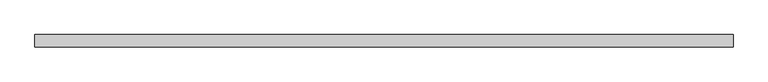
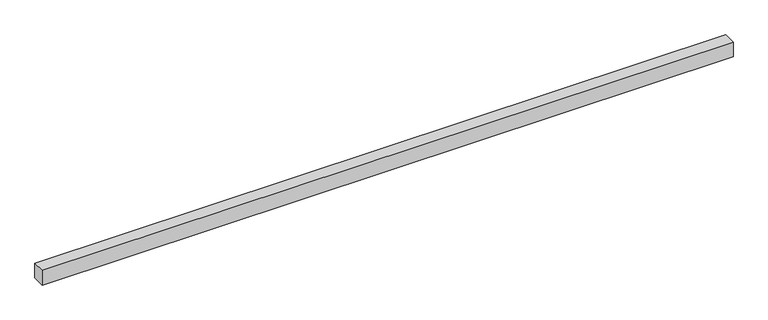
"""IFC4 building model written with IfcOpenShell, lengths in millimetres: proxy geometry."""

from ifc_helpers import new_model, si_unit, origin, origin_with_axes, place, context, project, spatial, polyline, outline, extrude, source, transform, mapped, element, save


def generic_models_cdcf5d68(model_context):
    return source(origin(), model_context, "Body", "SweptSolid", [
        extrude(outline(polyline([(4445.0622818, -40.0), (0.0, -40.0), (0.0, 40.0), (4445.0622818, 40.0), (4445.0622818, -40.0)])), origin_with_axes(), (0.0, 0.0, 1.0), 100.0),
    ])


if __name__ == "__main__":
    model = new_model("IFC4")
    model_context = context("Model", 3, world=origin())
    ifc_project = project(units=[si_unit("LENGTHUNIT", "METRE", prefix="MILLI")], contexts=[model_context])
    site = spatial("IfcSite", under=ifc_project)
    building = spatial("IfcBuilding", under=site)
    placement = place(None, origin())
    generic_models_shape = generic_models_cdcf5d68(model_context)
    element("IfcBuildingElementProxy", 1, Name="Generic Models", at=placement, inside=building, context=model_context, shape_type="MappedRepresentation", body=[
        mapped(generic_models_shape, transform((0.0, 0.0, 0.0), x_axis=(1.0, 0.0, 0.0), y_axis=(0.0, 1.0, 0.0), z_axis=(0.0, 0.0, 1.0))),
    ])
    save(model, "model.ifc")
